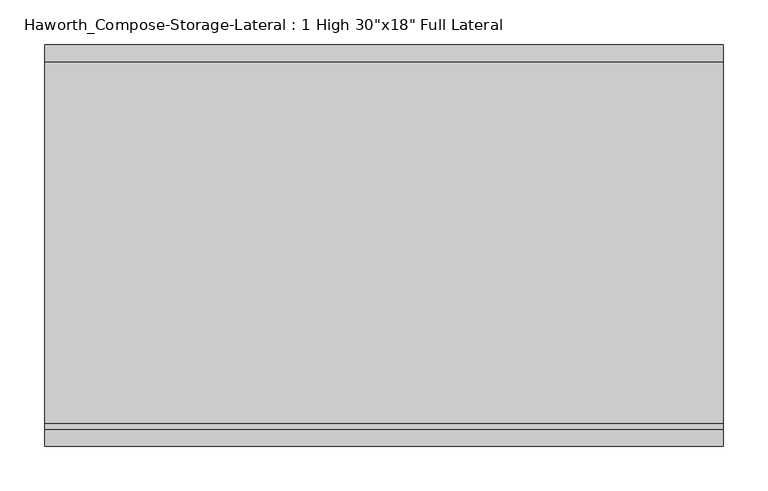
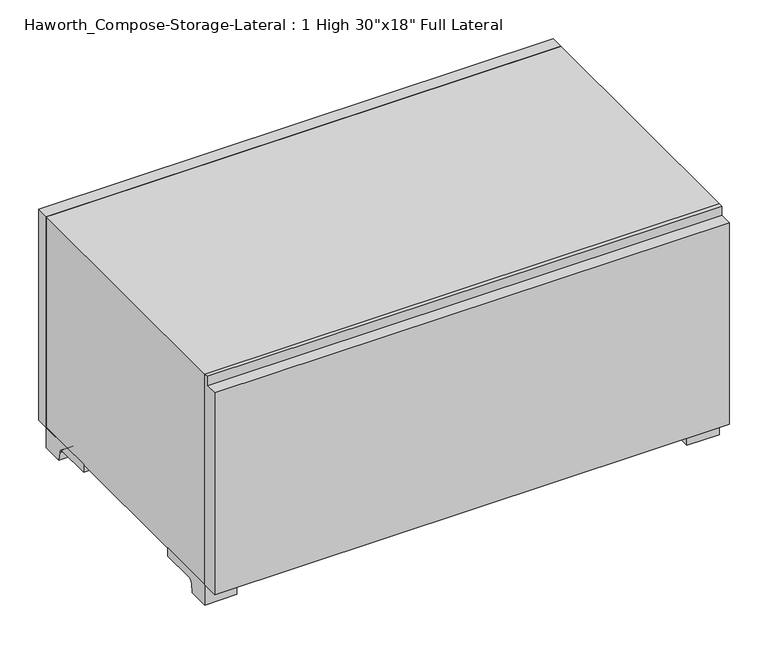
"""IFC4 building model written with IfcOpenShell, lengths in millimetres: furniture geometry."""

from ifc_helpers import new_model, si_unit, point, frame, frame_2d, origin, place, context, project, spatial, polyline, circle_curve, trimmed, segment, composite_curve, outline, extrude, source, transform, mapped, element, save


def furniture_7eebd19f(model_context):
    return source(origin(), model_context, "Body", "SweptSolid", [
        extrude(outline(polyline([(-152.4, 31.75), (-177.8, 31.75), (-177.8, 347.6625), (-158.75, 347.6625), (-158.75, 361.95), (-152.4, 361.95), (-152.4, 31.75)])), frame((-380.9861094, 0.0, 0.0), z_axis=(1.0, 0.0, 0.0), x_axis=(0.0, 1.0, 0.0)), (0.0, 0.0, 1.0), 762.0),
        extrude(outline(composite_curve([segment(polyline([(-120.65, 0.0), (-152.4, 0.0), (-152.4, 31.75), (-57.15, 31.75), (-57.15, 19.05), (-112.1833333, 19.05)]), True, "CONTINUOUS"), segment(trimmed(circle_curve(frame_2d((-112.1833333, 12.7)), 6.35), [point((-112.1833333, 19.05))], [point((-118.5333333, 12.7))], True, "CARTESIAN"), True, "CONTINUOUS"), segment(polyline([(-118.5333333, 12.7), (-120.65, 0.0)]), True, "CONTINUOUS")], self_intersect=False)), frame((333.3888906, 0.0, 0.0), z_axis=(1.0, 0.0, 0.0), x_axis=(0.0, 1.0, 0.0)), (0.0, 0.0, 1.0), 47.625),
        extrude(outline(composite_curve([segment(polyline([(222.25, 0.0), (220.1333333, 12.7)]), True, "CONTINUOUS"), segment(trimmed(circle_curve(frame_2d((213.7833333, 12.7)), 6.35), [point((220.1333333, 12.7))], [point((213.7833333, 19.05))], True, "CARTESIAN"), True, "CONTINUOUS"), segment(polyline([(213.7833333, 19.05), (158.75, 19.05), (158.75, 31.75), (254.0, 31.75), (254.0, 0.0), (222.25, 0.0)]), True, "CONTINUOUS")], self_intersect=False)), frame((333.3888906, 0.0, 0.0), z_axis=(1.0, 0.0, 0.0), x_axis=(0.0, 1.0, 0.0)), (0.0, 0.0, 1.0), 47.625),
        extrude(outline(composite_curve([segment(polyline([(-120.65, 0.0), (-152.4, 0.0), (-152.4, 31.75), (-57.15, 31.75), (-57.15, 19.05), (-112.1833333, 19.05)]), True, "CONTINUOUS"), segment(trimmed(circle_curve(frame_2d((-112.1833333, 12.7)), 6.35), [point((-112.1833333, 19.05))], [point((-118.5333333, 12.7))], True, "CARTESIAN"), True, "CONTINUOUS"), segment(polyline([(-118.5333333, 12.7), (-120.65, 0.0)]), True, "CONTINUOUS")], self_intersect=False)), frame((-380.9861094, 0.0, 0.0), z_axis=(1.0, 0.0, 0.0), x_axis=(0.0, 1.0, 0.0)), (0.0, 0.0, 1.0), 47.625),
        extrude(outline(composite_curve([segment(polyline([(222.25, 0.0), (220.1333333, 12.7)]), True, "CONTINUOUS"), segment(trimmed(circle_curve(frame_2d((213.7833333, 12.7)), 6.35), [point((220.1333333, 12.7))], [point((213.7833333, 19.05))], True, "CARTESIAN"), True, "CONTINUOUS"), segment(polyline([(213.7833333, 19.05), (158.75, 19.05), (158.75, 31.75), (254.0, 31.75), (254.0, 0.0), (222.25, 0.0)]), True, "CONTINUOUS")], self_intersect=False)), frame((-380.9861094, 0.0, 0.0), z_axis=(1.0, 0.0, 0.0), x_axis=(0.0, 1.0, 0.0)), (0.0, 0.0, 1.0), 47.625),
        extrude(outline(polyline([(381.0138906, 254.0), (-380.9861094, 254.0), (-380.9861094, 273.05), (381.0138906, 273.05), (381.0138906, 254.0)])), frame((0.0, 0.0, 31.75), z_axis=(0.0, 0.0, 1.0), x_axis=(1.0, 0.0, 0.0)), (0.0, 0.0, 1.0), 330.2),
        extrude(outline(polyline([(31.75, -380.9861094), (31.75, 381.0), (361.95, 381.0), (361.95, -380.9861094), (31.75, -380.9861094)]), holes=[polyline([(50.8, -361.9361094), (342.9, -361.9361094), (342.9, 361.9361094), (50.8, 361.9361094), (50.8, -361.9361094)])]), frame((0.0, -152.4, 0.0), z_axis=(0.0, 1.0, 0.0), x_axis=(0.0, 0.0, 1.0)), (0.0, 0.0, 1.0), 406.4),
        extrude(outline(polyline([(-361.9291641, 219.075), (-361.9291641, 228.6), (361.9569453, 228.6), (361.9569453, 219.075), (-361.9291641, 219.075)])), frame((0.0, 0.0, 50.8), z_axis=(0.0, 0.0, 1.0), x_axis=(1.0, 0.0, 0.0)), (0.0, 0.0, 1.0), 292.1),
    ])


if __name__ == "__main__":
    model = new_model("IFC4")
    model_context = context("Model", 3, world=origin())
    ifc_project = project(units=[si_unit("LENGTHUNIT", "METRE", prefix="MILLI")], contexts=[model_context])
    site = spatial("IfcSite", under=ifc_project)
    building = spatial("IfcBuilding", under=site)
    placement = place(None, origin())
    furniture_shape = furniture_7eebd19f(model_context)
    element("IfcFurniture", 1, ObjectType="Haworth_Compose-Storage-Lateral : 1 High 30\"x18\" Full Lateral", at=placement, inside=building, context=model_context, shape_type="MappedRepresentation", body=[
        mapped(furniture_shape, transform((0.0, 0.0, 0.0), x_axis=(1.0, 0.0, 0.0), y_axis=(0.0, 1.0, 0.0), z_axis=(0.0, 0.0, 1.0))),
    ])
    save(model, "model.ifc")
